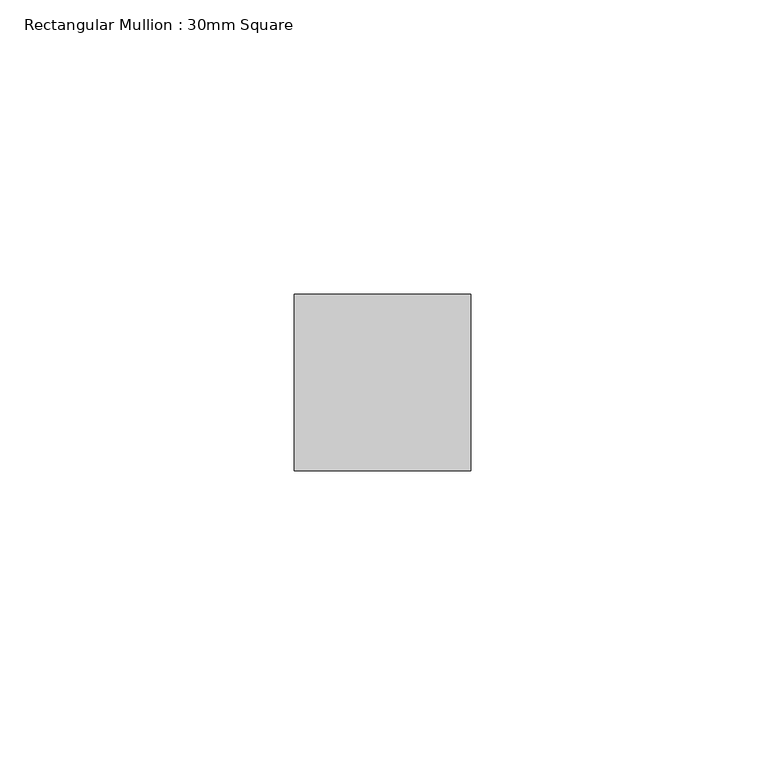
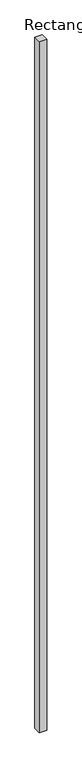
"""IFC4 building model written with IfcOpenShell, lengths in millimetres: member geometry, Rectangular Mullion : 30mm Square."""

from ifc_helpers import new_model, si_unit, frame, origin, place, context, project, spatial, polyline, outline, extrude, source, transform, mapped, element, save


def rectangular_mullion_30mm_square_36226b1d(model_context):
    return source(origin(), model_context, "Body", "SweptSolid", [
        extrude(outline(polyline([(15.0, 15.0), (15.0, -15.0), (-15.0, -15.0), (-15.0, 15.0), (15.0, 15.0)])), frame((0.0, 0.0, -2940.0), z_axis=(0.0, 0.0, 1.0), x_axis=(1.0, 0.0, 0.0)), (0.0, 0.0, 1.0), 2940.0),
    ])


if __name__ == "__main__":
    model = new_model("IFC4")
    model_context = context("Model", 3, world=origin())
    ifc_project = project(units=[si_unit("LENGTHUNIT", "METRE", prefix="MILLI")], contexts=[model_context])
    site = spatial("IfcSite", under=ifc_project)
    building = spatial("IfcBuilding", under=site)
    placement = place(None, origin())
    rectangular_mullion_30mm_square_shape = rectangular_mullion_30mm_square_36226b1d(model_context)
    element("IfcMember", 1, ObjectType="Rectangular Mullion : 30mm Square", at=placement, inside=building, context=model_context, shape_type="MappedRepresentation", body=[
        mapped(rectangular_mullion_30mm_square_shape, transform((0.0, 0.0, 0.0), x_axis=(1.0, 0.0, 0.0), y_axis=(0.0, 1.0, 0.0), z_axis=(0.0, 0.0, 1.0))),
    ])
    save(model, "model.ifc")
